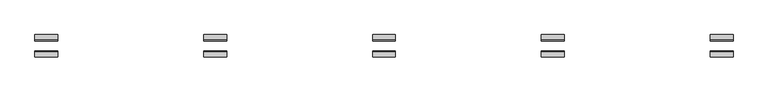
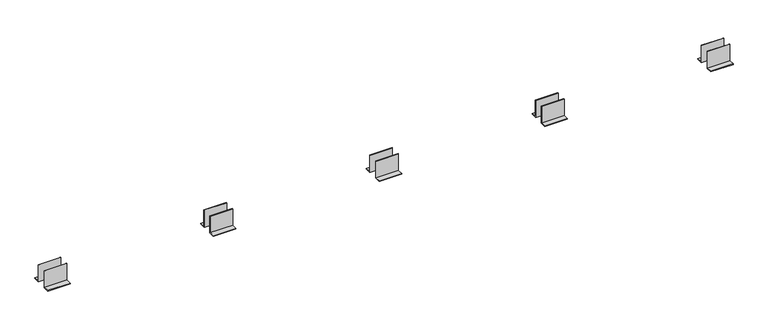
"""IFC4 building model written with IfcOpenShell, lengths in millimetres: proxy geometry."""

import ifcopenshell
import ifcopenshell.guid

model = None  # the IFC model being written
_history = None  # IfcOwnerHistory: only IFC2X3 demands one
_inside = {}  # id of a spatial element -> (the spatial element, [elements in it])
_under = {}  # id of a project, library or spatial element -> (it, [spatial elements below it])
_declared = {}  # id of a project -> (the project, [libraries it declares])
_typed = {}  # id of a type object -> (the type object, [elements of that type])
_made_of = {}  # id of a material, layer set ... -> (it, [elements and type objects made of it])


def new_model(schema):
    """Start an empty IFC model of exactly this schema.

    Asked for "IFC4X3", IfcOpenShell would pick the latest addendum, in which some entities
    have other attributes; the version numbers below select the first issue.
    IFC2X3 requires an IfcOwnerHistory on every rooted entity: one is made here for all.
    """
    global model, _history
    if schema == "IFC4X3":
        model = ifcopenshell.file(schema_version=(4, 3, 0, 0))
    else:
        model = ifcopenshell.file(schema=schema)
    _inside.clear()
    _under.clear()
    _declared.clear()
    _typed.clear()
    _made_of.clear()
    _history = None
    if model.schema == "IFC2X3":
        org = make("IfcOrganization", Name="unknown")
        user = make(
            "IfcPersonAndOrganization",
            ThePerson=make("IfcPerson", FamilyName="unknown"),
            TheOrganization=org,
        )
        app = make(
            "IfcApplication",
            ApplicationDeveloper=org,
            Version="unknown",
            ApplicationFullName="unknown",
            ApplicationIdentifier="unknown",
        )
        _history = make(
            "IfcOwnerHistory",
            OwningUser=user,
            OwningApplication=app,
            ChangeAction="ADDED",
            CreationDate=0,
        )
    return model


def make(cls, **values):
    """One entity of the class cls with the attributes given. An attribute that is None is left unset."""
    return model.create_entity(
        cls, **{name: value for name, value in values.items() if value is not None}
    )


def rooted(cls, **values):
    """An entity with a GlobalId (a new one), such as an element, a storey or a relation."""
    return make(cls, GlobalId=ifcopenshell.guid.new(), OwnerHistory=_history, **values)


def si_unit(unit_type, name, prefix=None):
    """IfcSIUnit, for example si_unit("LENGTHUNIT", "METRE", prefix="MILLI")."""
    return make("IfcSIUnit", UnitType=unit_type, Prefix=prefix, Name=name)


def assignment(units):
    """IfcUnitAssignment: the units of a project."""
    return None if units is None else make("IfcUnitAssignment", Units=units)


def point(xyz):
    """IfcCartesianPoint."""
    return None if xyz is None else make("IfcCartesianPoint", Coordinates=xyz)


def direction(xyz):
    """IfcDirection."""
    return None if xyz is None else make("IfcDirection", DirectionRatios=xyz)


def frame(location, z_axis=None, x_axis=None):
    """IfcAxis2Placement3D, a coordinate frame: its origin and axes. An axis left out is left unset."""
    return make(
        "IfcAxis2Placement3D",
        Location=point(location),
        Axis=direction(z_axis),
        RefDirection=direction(x_axis),
    )


def origin():
    """The frame at (0, 0, 0) with its axes left unset."""
    return frame((0.0, 0.0, 0.0))


def place(relative_to, where):
    """IfcLocalPlacement: puts the frame where relative to a parent placement (None: the world)."""
    return make(
        "IfcLocalPlacement", PlacementRelTo=relative_to, RelativePlacement=where
    )


def context(
    kind, dimensions, precision=None, world=None, true_north=None, identifier=None
):
    """IfcGeometricRepresentationContext, for example the 3D "Model" context."""
    return make(
        "IfcGeometricRepresentationContext",
        ContextIdentifier=identifier,
        ContextType=kind,
        CoordinateSpaceDimension=dimensions,
        Precision=precision,
        WorldCoordinateSystem=world,
        TrueNorth=true_north,
    )


def project(units=None, contexts=None):
    """IfcProject with its units and contexts."""
    return rooted(
        "IfcProject",
        Name="project",
        RepresentationContexts=contexts,
        UnitsInContext=assignment(units),
    )


def spatial(cls, under=None, at=None, **own):
    """A site, building, storey or space (cls), placed at a placement, below another one or the project."""
    s = rooted(cls, ObjectPlacement=at, **own)
    if under is not None:
        _under.setdefault(under.id(), (under, []))[1].append(s)
    return s


def polyline(points):
    """IfcPolyline through the points."""
    return make("IfcPolyline", Points=[point(p) for p in points])


def outline(outer, holes=None, kind="AREA"):
    """IfcArbitraryClosedProfileDef: a profile drawn as a closed curve; with holes, ...WithVoids."""
    if holes is None:
        return make("IfcArbitraryClosedProfileDef", ProfileType=kind, OuterCurve=outer)
    return make(
        "IfcArbitraryProfileDefWithVoids",
        ProfileType=kind,
        OuterCurve=outer,
        InnerCurves=holes,
    )


def extrude(swept, where, along, depth):
    """IfcExtrudedAreaSolid: the profile swept, set in the frame where, extruded along a direction by depth."""
    return make(
        "IfcExtrudedAreaSolid",
        SweptArea=swept,
        Position=where,
        ExtrudedDirection=direction(along),
        Depth=depth,
    )


def shape(context_of_items, identifier, shape_type, items):
    """IfcShapeRepresentation: the items that make up one representation, for example the "Body"."""
    return make(
        "IfcShapeRepresentation",
        ContextOfItems=context_of_items,
        RepresentationIdentifier=identifier,
        RepresentationType=shape_type,
        Items=items,
    )


def source(mapping_origin, context_of_items, identifier, shape_type, items):
    """IfcRepresentationMap: a shape defined once, which mapped items show again and again."""
    return make(
        "IfcRepresentationMap",
        MappingOrigin=mapping_origin,
        MappedRepresentation=shape(context_of_items, identifier, shape_type, items),
    )


def transform(
    local_origin,
    x_axis=None,
    y_axis=None,
    z_axis=None,
    scale=None,
    scale2=None,
    scale3=None,
    uniform=True,
):
    """IfcCartesianTransformationOperator3D, or its non-uniform kind. x_axis, y_axis, z_axis: its Axis1, 2, 3."""
    if uniform:
        return make(
            "IfcCartesianTransformationOperator3D",
            Axis1=direction(x_axis),
            Axis2=direction(y_axis),
            LocalOrigin=point(local_origin),
            Scale=scale,
            Axis3=direction(z_axis),
        )
    return make(
        "IfcCartesianTransformationOperator3DnonUniform",
        Axis1=direction(x_axis),
        Axis2=direction(y_axis),
        LocalOrigin=point(local_origin),
        Scale=scale,
        Axis3=direction(z_axis),
        Scale2=scale2,
        Scale3=scale3,
    )


def mapped(mapping_source, mapping_target):
    """IfcMappedItem: shows the shape of a source again, moved by a transform."""
    return make(
        "IfcMappedItem", MappingSource=mapping_source, MappingTarget=mapping_target
    )


def made_of(thing, what):
    """Note that an element or type object is made of a material, layer set ...; save() writes the relation."""
    if what is not None:
        _made_of.setdefault(what.id(), (what, []))[1].append(thing)
    return thing


def element(
    cls,
    number,
    at=None,
    inside=None,
    cuts=None,
    type_object=None,
    material=None,
    context=None,
    identifier="Body",
    shape_type=None,
    held_by="IfcProductDefinitionShape",
    body=None,
    shapes=None,
    **own,
):
    """One element of the class cls, such as IfcWall. Its Tag is "e" and its number.

    at: its placement. inside: the storey or other place that contains it. cuts: it is an
    opening in that element (IfcRelVoidsElement). A single representation is given by context,
    identifier, shape_type and body (its items); several are given by shapes. held_by: the class
    of the entity that holds the representations. save() writes the other relations.
    """
    e = rooted(cls, Tag="e%d" % number, ObjectPlacement=at, **own)
    if body is not None:
        shapes = [shape(context, identifier, shape_type, body)]
    if shapes is not None:
        e.Representation = make(held_by, Representations=shapes)
    if inside is not None:
        _inside.setdefault(inside.id(), (inside, []))[1].append(e)
    if cuts is not None:
        rooted(
            "IfcRelVoidsElement", RelatingBuildingElement=cuts, RelatedOpeningElement=e
        )
    if type_object is not None:
        _typed.setdefault(type_object.id(), (type_object, []))[1].append(e)
    return made_of(e, material)


def aggregate(whole, parts):
    """IfcRelAggregates: a whole, such as a stair, and the parts it consists of."""
    return rooted("IfcRelAggregates", RelatingObject=whole, RelatedObjects=parts)


def save(model, path):
    """Write the relations noted so far, then the file.

    IfcRelAggregates (storeys below a building ...), IfcRelContainedInSpatialStructure (elements
    in a storey), IfcRelDefinesByType, IfcRelAssociatesMaterial and IfcRelDeclares: one each for
    every whole, place, type object, material and project.
    """
    for whole, parts in _under.values():
        aggregate(whole, parts)
    for where, things in _inside.values():
        rooted(
            "IfcRelContainedInSpatialStructure",
            RelatedElements=things,
            RelatingStructure=where,
        )
    for kind, things in _typed.values():
        rooted("IfcRelDefinesByType", RelatedObjects=things, RelatingType=kind)
    for what, things in _made_of.values():
        rooted("IfcRelAssociatesMaterial", RelatedObjects=things, RelatingMaterial=what)
    for by, libraries in _declared.values():
        rooted("IfcRelDeclares", RelatingContext=by, RelatedDefinitions=libraries)
    model.write(path)


def generic_models_754cf887(model_context):
    return source(origin(), model_context, "Body", "SweptSolid", [
        extrude(outline(polyline([(33.0, 0.0), (33.0, 120.0), (37.0, 120.0), (37.0, 4.0), (73.0, 4.0), (73.0, 0.0), (33.0, 0.0)])), frame((3377.8769429, 0.0, 0.0), z_axis=(1.0, 0.0, 0.0), x_axis=(0.0, 1.0, 0.0)), (0.0, 0.0, 1.0), 150.0),
        extrude(outline(polyline([(-33.0, 120.0), (-33.0, 0.0), (-73.0, 0.0), (-73.0, 4.0), (-37.0, 4.0), (-37.0, 120.0), (-33.0, 120.0)])), frame((3377.8769429, 0.0, 0.0), z_axis=(1.0, 0.0, 0.0), x_axis=(0.0, 1.0, 0.0)), (0.0, 0.0, 1.0), 150.0),
        extrude(outline(polyline([(33.0, 0.0), (33.0, 120.0), (37.0, 120.0), (37.0, 4.0), (73.0, 4.0), (73.0, 0.0), (33.0, 0.0)])), frame((2273.5846286, 0.0, 0.0), z_axis=(1.0, 0.0, 0.0), x_axis=(0.0, 1.0, 0.0)), (0.0, 0.0, 1.0), 150.0),
        extrude(outline(polyline([(-33.0, 120.0), (-33.0, 0.0), (-73.0, 0.0), (-73.0, 4.0), (-37.0, 4.0), (-37.0, 120.0), (-33.0, 120.0)])), frame((2273.5846286, 0.0, 0.0), z_axis=(1.0, 0.0, 0.0), x_axis=(0.0, 1.0, 0.0)), (0.0, 0.0, 1.0), 150.0),
        extrude(outline(polyline([(33.0, 0.0), (33.0, 120.0), (37.0, 120.0), (37.0, 4.0), (73.0, 4.0), (73.0, 0.0), (33.0, 0.0)])), frame((1169.2923143, 0.0, 0.0), z_axis=(1.0, 0.0, 0.0), x_axis=(0.0, 1.0, 0.0)), (0.0, 0.0, 1.0), 150.0),
        extrude(outline(polyline([(-33.0, 120.0), (-33.0, 0.0), (-73.0, 0.0), (-73.0, 4.0), (-37.0, 4.0), (-37.0, 120.0), (-33.0, 120.0)])), frame((1169.2923143, 0.0, 0.0), z_axis=(1.0, 0.0, 0.0), x_axis=(0.0, 1.0, 0.0)), (0.0, 0.0, 1.0), 150.0),
        extrude(outline(polyline([(33.0, 0.0), (33.0, 120.0), (37.0, 120.0), (37.0, 4.0), (73.0, 4.0), (73.0, 0.0), (33.0, 0.0)])), frame((4482.1692572, 0.0, 0.0), z_axis=(1.0, 0.0, 0.0), x_axis=(0.0, 1.0, 0.0)), (0.0, 0.0, 1.0), 150.0),
        extrude(outline(polyline([(-33.0, 120.0), (-33.0, 0.0), (-73.0, 0.0), (-73.0, 4.0), (-37.0, 4.0), (-37.0, 120.0), (-33.0, 120.0)])), frame((4482.1692572, 0.0, 0.0), z_axis=(1.0, 0.0, 0.0), x_axis=(0.0, 1.0, 0.0)), (0.0, 0.0, 1.0), 150.0),
        extrude(outline(polyline([(33.0, 0.0), (33.0, 120.0), (37.0, 120.0), (37.0, 4.0), (73.0, 4.0), (73.0, 0.0), (33.0, 0.0)])), frame((65.0, 0.0, 0.0), z_axis=(1.0, 0.0, 0.0), x_axis=(0.0, 1.0, 0.0)), (0.0, 0.0, 1.0), 150.0),
        extrude(outline(polyline([(-33.0, 120.0), (-33.0, 0.0), (-73.0, 0.0), (-73.0, 4.0), (-37.0, 4.0), (-37.0, 120.0), (-33.0, 120.0)])), frame((65.0, 0.0, 0.0), z_axis=(1.0, 0.0, 0.0), x_axis=(0.0, 1.0, 0.0)), (0.0, 0.0, 1.0), 150.0),
    ])


if __name__ == "__main__":
    model = new_model("IFC4")
    model_context = context("Model", 3, world=origin())
    ifc_project = project(units=[si_unit("LENGTHUNIT", "METRE", prefix="MILLI")], contexts=[model_context])
    site = spatial("IfcSite", under=ifc_project)
    building = spatial("IfcBuilding", under=site)
    placement = place(None, origin())
    generic_models_shape = generic_models_754cf887(model_context)
    element("IfcBuildingElementProxy", 1, Name="Generic Models", at=placement, inside=building, context=model_context, shape_type="MappedRepresentation", body=[
        mapped(generic_models_shape, transform((0.0, 0.0, 0.0), x_axis=(1.0, 0.0, 0.0), y_axis=(0.0, 1.0, 0.0), z_axis=(0.0, 0.0, 1.0))),
    ])
    save(model, "model.ifc")
